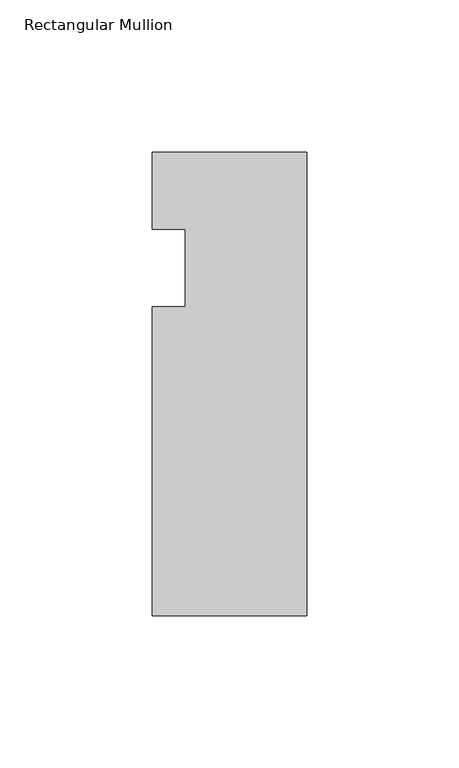
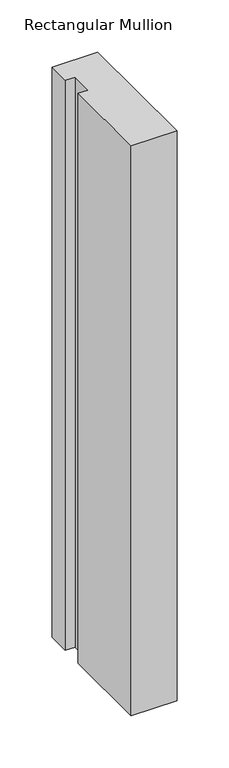
"""IFC4 building model written with IfcOpenShell, lengths in millimetres: member geometry, Rectangular Mullion."""

import ifcopenshell
import ifcopenshell.guid

model = None  # the IFC model being written
_history = None  # IfcOwnerHistory: only IFC2X3 demands one
_inside = {}  # id of a spatial element -> (the spatial element, [elements in it])
_under = {}  # id of a project, library or spatial element -> (it, [spatial elements below it])
_declared = {}  # id of a project -> (the project, [libraries it declares])
_typed = {}  # id of a type object -> (the type object, [elements of that type])
_made_of = {}  # id of a material, layer set ... -> (it, [elements and type objects made of it])


def new_model(schema):
    """Start an empty IFC model of exactly this schema.

    Asked for "IFC4X3", IfcOpenShell would pick the latest addendum, in which some entities
    have other attributes; the version numbers below select the first issue.
    IFC2X3 requires an IfcOwnerHistory on every rooted entity: one is made here for all.
    """
    global model, _history
    if schema == "IFC4X3":
        model = ifcopenshell.file(schema_version=(4, 3, 0, 0))
    else:
        model = ifcopenshell.file(schema=schema)
    _inside.clear()
    _under.clear()
    _declared.clear()
    _typed.clear()
    _made_of.clear()
    _history = None
    if model.schema == "IFC2X3":
        org = make("IfcOrganization", Name="unknown")
        user = make(
            "IfcPersonAndOrganization",
            ThePerson=make("IfcPerson", FamilyName="unknown"),
            TheOrganization=org,
        )
        app = make(
            "IfcApplication",
            ApplicationDeveloper=org,
            Version="unknown",
            ApplicationFullName="unknown",
            ApplicationIdentifier="unknown",
        )
        _history = make(
            "IfcOwnerHistory",
            OwningUser=user,
            OwningApplication=app,
            ChangeAction="ADDED",
            CreationDate=0,
        )
    return model


def make(cls, **values):
    """One entity of the class cls with the attributes given. An attribute that is None is left unset."""
    return model.create_entity(
        cls, **{name: value for name, value in values.items() if value is not None}
    )


def rooted(cls, **values):
    """An entity with a GlobalId (a new one), such as an element, a storey or a relation."""
    return make(cls, GlobalId=ifcopenshell.guid.new(), OwnerHistory=_history, **values)


def si_unit(unit_type, name, prefix=None):
    """IfcSIUnit, for example si_unit("LENGTHUNIT", "METRE", prefix="MILLI")."""
    return make("IfcSIUnit", UnitType=unit_type, Prefix=prefix, Name=name)


def assignment(units):
    """IfcUnitAssignment: the units of a project."""
    return None if units is None else make("IfcUnitAssignment", Units=units)


def point(xyz):
    """IfcCartesianPoint."""
    return None if xyz is None else make("IfcCartesianPoint", Coordinates=xyz)


def direction(xyz):
    """IfcDirection."""
    return None if xyz is None else make("IfcDirection", DirectionRatios=xyz)


def frame(location, z_axis=None, x_axis=None):
    """IfcAxis2Placement3D, a coordinate frame: its origin and axes. An axis left out is left unset."""
    return make(
        "IfcAxis2Placement3D",
        Location=point(location),
        Axis=direction(z_axis),
        RefDirection=direction(x_axis),
    )


def origin():
    """The frame at (0, 0, 0) with its axes left unset."""
    return frame((0.0, 0.0, 0.0))


def place(relative_to, where):
    """IfcLocalPlacement: puts the frame where relative to a parent placement (None: the world)."""
    return make(
        "IfcLocalPlacement", PlacementRelTo=relative_to, RelativePlacement=where
    )


def context(
    kind, dimensions, precision=None, world=None, true_north=None, identifier=None
):
    """IfcGeometricRepresentationContext, for example the 3D "Model" context."""
    return make(
        "IfcGeometricRepresentationContext",
        ContextIdentifier=identifier,
        ContextType=kind,
        CoordinateSpaceDimension=dimensions,
        Precision=precision,
        WorldCoordinateSystem=world,
        TrueNorth=true_north,
    )


def project(units=None, contexts=None):
    """IfcProject with its units and contexts."""
    return rooted(
        "IfcProject",
        Name="project",
        RepresentationContexts=contexts,
        UnitsInContext=assignment(units),
    )


def spatial(cls, under=None, at=None, **own):
    """A site, building, storey or space (cls), placed at a placement, below another one or the project."""
    s = rooted(cls, ObjectPlacement=at, **own)
    if under is not None:
        _under.setdefault(under.id(), (under, []))[1].append(s)
    return s


def polyline(points):
    """IfcPolyline through the points."""
    return make("IfcPolyline", Points=[point(p) for p in points])


def outline(outer, holes=None, kind="AREA"):
    """IfcArbitraryClosedProfileDef: a profile drawn as a closed curve; with holes, ...WithVoids."""
    if holes is None:
        return make("IfcArbitraryClosedProfileDef", ProfileType=kind, OuterCurve=outer)
    return make(
        "IfcArbitraryProfileDefWithVoids",
        ProfileType=kind,
        OuterCurve=outer,
        InnerCurves=holes,
    )


def extrude(swept, where, along, depth):
    """IfcExtrudedAreaSolid: the profile swept, set in the frame where, extruded along a direction by depth."""
    return make(
        "IfcExtrudedAreaSolid",
        SweptArea=swept,
        Position=where,
        ExtrudedDirection=direction(along),
        Depth=depth,
    )


def shape(context_of_items, identifier, shape_type, items):
    """IfcShapeRepresentation: the items that make up one representation, for example the "Body"."""
    return make(
        "IfcShapeRepresentation",
        ContextOfItems=context_of_items,
        RepresentationIdentifier=identifier,
        RepresentationType=shape_type,
        Items=items,
    )


def source(mapping_origin, context_of_items, identifier, shape_type, items):
    """IfcRepresentationMap: a shape defined once, which mapped items show again and again."""
    return make(
        "IfcRepresentationMap",
        MappingOrigin=mapping_origin,
        MappedRepresentation=shape(context_of_items, identifier, shape_type, items),
    )


def transform(
    local_origin,
    x_axis=None,
    y_axis=None,
    z_axis=None,
    scale=None,
    scale2=None,
    scale3=None,
    uniform=True,
):
    """IfcCartesianTransformationOperator3D, or its non-uniform kind. x_axis, y_axis, z_axis: its Axis1, 2, 3."""
    if uniform:
        return make(
            "IfcCartesianTransformationOperator3D",
            Axis1=direction(x_axis),
            Axis2=direction(y_axis),
            LocalOrigin=point(local_origin),
            Scale=scale,
            Axis3=direction(z_axis),
        )
    return make(
        "IfcCartesianTransformationOperator3DnonUniform",
        Axis1=direction(x_axis),
        Axis2=direction(y_axis),
        LocalOrigin=point(local_origin),
        Scale=scale,
        Axis3=direction(z_axis),
        Scale2=scale2,
        Scale3=scale3,
    )


def mapped(mapping_source, mapping_target):
    """IfcMappedItem: shows the shape of a source again, moved by a transform."""
    return make(
        "IfcMappedItem", MappingSource=mapping_source, MappingTarget=mapping_target
    )


def made_of(thing, what):
    """Note that an element or type object is made of a material, layer set ...; save() writes the relation."""
    if what is not None:
        _made_of.setdefault(what.id(), (what, []))[1].append(thing)
    return thing


def element(
    cls,
    number,
    at=None,
    inside=None,
    cuts=None,
    type_object=None,
    material=None,
    context=None,
    identifier="Body",
    shape_type=None,
    held_by="IfcProductDefinitionShape",
    body=None,
    shapes=None,
    **own,
):
    """One element of the class cls, such as IfcWall. Its Tag is "e" and its number.

    at: its placement. inside: the storey or other place that contains it. cuts: it is an
    opening in that element (IfcRelVoidsElement). A single representation is given by context,
    identifier, shape_type and body (its items); several are given by shapes. held_by: the class
    of the entity that holds the representations. save() writes the other relations.
    """
    e = rooted(cls, Tag="e%d" % number, ObjectPlacement=at, **own)
    if body is not None:
        shapes = [shape(context, identifier, shape_type, body)]
    if shapes is not None:
        e.Representation = make(held_by, Representations=shapes)
    if inside is not None:
        _inside.setdefault(inside.id(), (inside, []))[1].append(e)
    if cuts is not None:
        rooted(
            "IfcRelVoidsElement", RelatingBuildingElement=cuts, RelatedOpeningElement=e
        )
    if type_object is not None:
        _typed.setdefault(type_object.id(), (type_object, []))[1].append(e)
    return made_of(e, material)


def aggregate(whole, parts):
    """IfcRelAggregates: a whole, such as a stair, and the parts it consists of."""
    return rooted("IfcRelAggregates", RelatingObject=whole, RelatedObjects=parts)


def save(model, path):
    """Write the relations noted so far, then the file.

    IfcRelAggregates (storeys below a building ...), IfcRelContainedInSpatialStructure (elements
    in a storey), IfcRelDefinesByType, IfcRelAssociatesMaterial and IfcRelDeclares: one each for
    every whole, place, type object, material and project.
    """
    for whole, parts in _under.values():
        aggregate(whole, parts)
    for where, things in _inside.values():
        rooted(
            "IfcRelContainedInSpatialStructure",
            RelatedElements=things,
            RelatingStructure=where,
        )
    for kind, things in _typed.values():
        rooted("IfcRelDefinesByType", RelatedObjects=things, RelatingType=kind)
    for what, things in _made_of.values():
        rooted("IfcRelAssociatesMaterial", RelatedObjects=things, RelatingMaterial=what)
    for by, libraries in _declared.values():
        rooted("IfcRelDeclares", RelatingContext=by, RelatedDefinitions=libraries)
    model.write(path)


def rectangular_mullion_e5d50b41(model_context):
    return source(origin(), model_context, "Body", "SweptSolid", [
        extrude(outline(polyline([(-50.8, -152.4), (-50.8, -50.8), (-39.8272, -50.8), (-39.8272, -25.4), (-50.8, -25.4), (-50.8, 0.0), (0.0, 0.0), (0.0, -152.4), (-50.8, -152.4)])), frame((0.0, 0.0, -668.8666667), z_axis=(0.0, 0.0, 1.0), x_axis=(1.0, 0.0, 0.0)), (0.0, 0.0, 1.0), 668.8666667),
    ])


if __name__ == "__main__":
    model = new_model("IFC4")
    model_context = context("Model", 3, world=origin())
    ifc_project = project(units=[si_unit("LENGTHUNIT", "METRE", prefix="MILLI")], contexts=[model_context])
    site = spatial("IfcSite", under=ifc_project)
    building = spatial("IfcBuilding", under=site)
    placement = place(None, origin())
    rectangular_mullion_shape = rectangular_mullion_e5d50b41(model_context)
    element("IfcMember", 1, ObjectType="Rectangular Mullion", at=placement, inside=building, context=model_context, shape_type="MappedRepresentation", body=[
        mapped(rectangular_mullion_shape, transform((0.0, 0.0, 0.0), x_axis=(1.0, 0.0, 0.0), y_axis=(0.0, 1.0, 0.0), z_axis=(0.0, 0.0, 1.0))),
    ])
    save(model, "model.ifc")
